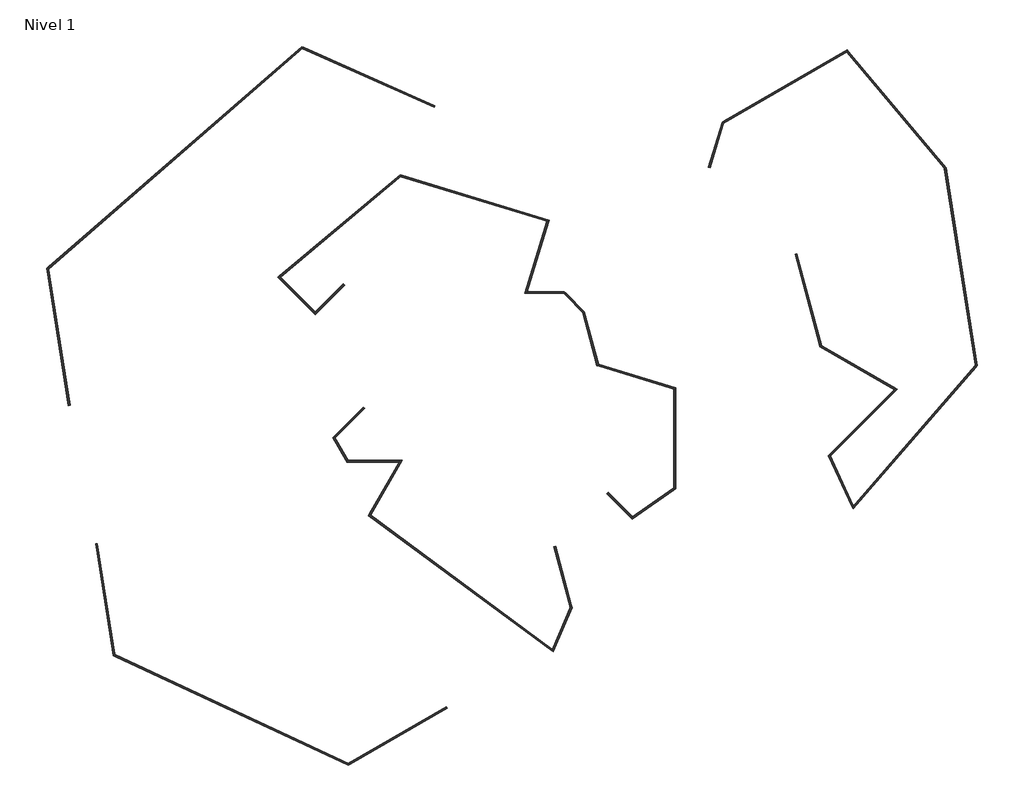
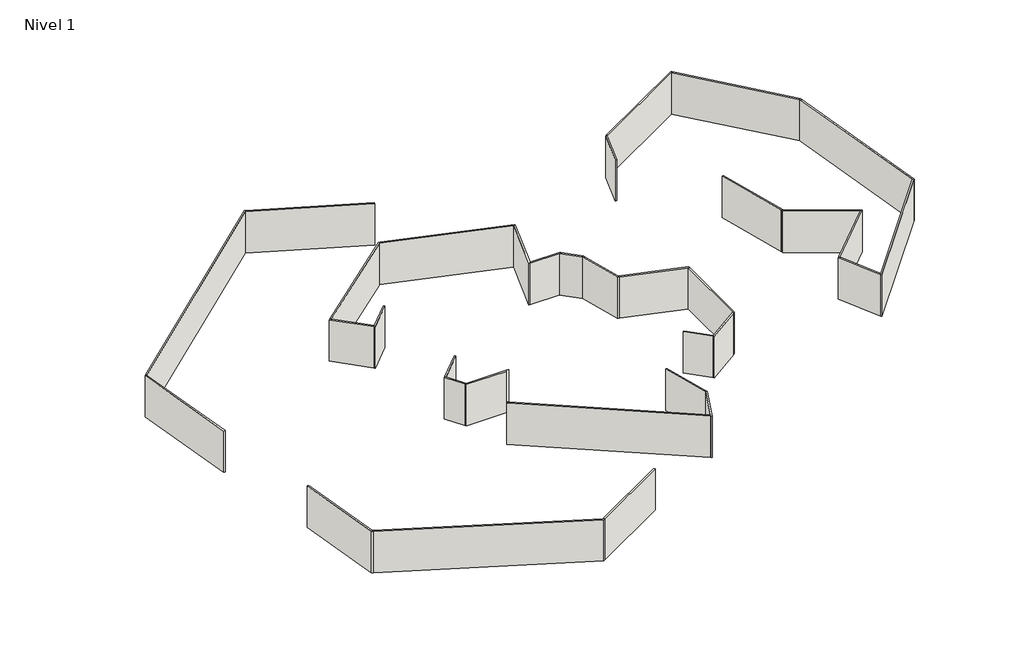
# One storey: 34 walls.
"""IFC4 building model written with IfcOpenShell, lengths in millimetres."""

from ifc_helpers import new_model, si_unit, origin, origin_with_axes, place, context, project, spatial, polyline, outline, extrude, faceted_brep, element, save

model = new_model("IFC4")

# Units and contexts
model_context = context("Model", 3, world=origin())
ifc_project = project(units=[si_unit("LENGTHUNIT", "METRE", prefix="MILLI")], contexts=[model_context])

# Site, building, storey
site = spatial("IfcSite", under=ifc_project)
building = spatial("IfcBuilding", under=site)
storey = spatial("IfcBuildingStorey", under=building, Name="Nivel 1", Elevation=0.0)

# Walls
placement = place(None, origin())
element("IfcWall", 1, at=placement, inside=storey, context=model_context, shape_type="Brep", body=[
    faceted_brep([(3578.8449551, -3014.9289192, 0.0), (3515.0951763, -3163.3818364, 0.0), (2564.1241916, -5377.8901777, 0.0), (2523.5965513, -5472.2661355, 0.0), (2523.5965513, -5472.2661355, 3000.0), (2564.1241916, -5377.8901777, 3000.0), (3515.0951763, -3163.3818364, 3000.0), (3578.8449551, -3014.9289192, 3000.0), (3620.6602962, -3170.9858965, 0.0), (3620.6602962, -3170.9858965, 3000.0), (2606.2345334, -5533.2601922, 3000.0), (2606.2345334, -5533.2601922, 0.0)], [[[0, 1, 2, 3, 4, 5, 6, 7]], [[8, 9, 10, 11]], [[3, 2, 1, 0, 8, 11]], [[7, 6, 5, 4, 10, 9]], [[4, 3, 11, 10]], [[0, 7, 9, 8]]]),
])
element("IfcWall", 2, at=placement, inside=storey, context=model_context, shape_type="Brep", body=[
    faceted_brep([(2564.1241916, -5377.8901777, 0.0), (-7131.207565, 1778.1124248, 0.0), (-7212.1746931, 1837.8732452, 0.0), (-7212.1746931, 1837.8732452, 3000.0), (-7131.207565, 1778.1124248, 3000.0), (2564.1241916, -5377.8901777, 3000.0), (2523.5965513, -5472.2661355, 0.0), (2523.5965513, -5472.2661355, 3000.0), (-7262.4912696, 1750.7223782, 3000.0), (-7262.4912696, 1750.7223782, 0.0)], [[[0, 1, 2, 3, 4, 5]], [[6, 7, 8, 9]], [[2, 1, 0, 6, 9]], [[5, 4, 3, 8, 7]], [[0, 5, 7, 6]], [[3, 2, 9, 8]]]),
])
element("IfcWall", 3, at=placement, inside=storey, context=model_context, shape_type="Brep", body=[
    faceted_brep([(-7131.207565, 1778.1124248, 0.0), (-5447.4109246, 4694.5337556, 0.0), (-5447.4109246, 4694.5337556, 3000.0), (-7131.207565, 1778.1124248, 3000.0), (-7212.1746931, 1837.8732452, 0.0), (-7212.1746931, 1837.8732452, 3000.0), (-5620.6160054, 4594.5337556, 3000.0), (-5562.8809784, 4694.5337556, 3000.0), (-5562.8809784, 4694.5337556, 0.0), (-5620.6160054, 4594.5337556, 0.0)], [[[0, 1, 2, 3]], [[4, 5, 6, 7, 8, 9]], [[1, 0, 4, 9, 8]], [[3, 2, 7, 6, 5]], [[0, 3, 5, 4]], [[2, 1, 8, 7]]]),
])
element("IfcWall", 4, at=placement, inside=storey, context=model_context, shape_type="Brep", body=[
    faceted_brep([(-5562.8809784, 4694.5337556, 0.0), (-8345.5604704, 4694.5337556, 0.0), (-8461.0305242, 4694.5337556, 0.0), (-8461.0305242, 4694.5337556, 3000.0), (-8345.5604704, 4694.5337556, 3000.0), (-5562.8809784, 4694.5337556, 3000.0), (-5620.6160054, 4594.5337556, 0.0), (-5620.6160054, 4594.5337556, 3000.0), (-8403.2954973, 4594.5337556, 3000.0), (-8403.2954973, 4594.5337556, 0.0)], [[[0, 1, 2, 3, 4, 5]], [[6, 7, 8, 9]], [[2, 1, 0, 6, 9]], [[5, 4, 3, 8, 7]], [[0, 5, 7, 6]], [[3, 2, 9, 8]]]),
])
element("IfcWall", 5, at=placement, inside=storey, context=model_context, shape_type="Brep", body=[
    faceted_brep([(-8345.5604704, 4694.5337556, 0.0), (-9038.4116869, 5894.5872648, 0.0), (-9090.175496, 5984.244812, 0.0), (-9090.175496, 5984.244812, 3000.0), (-9038.4116869, 5894.5872648, 3000.0), (-8345.5604704, 4694.5337556, 3000.0), (-8461.0305242, 4694.5337556, 0.0), (-8461.0305242, 4694.5337556, 3000.0), (-9163.3805767, 5911.0397312, 3000.0), (-9163.3805767, 5911.0397312, 0.0)], [[[0, 1, 2, 3, 4, 5]], [[6, 7, 8, 9]], [[2, 1, 0, 6, 9]], [[5, 4, 3, 8, 7]], [[0, 5, 7, 6]], [[3, 2, 9, 8]]]),
])
element("IfcWall", 6, at=placement, inside=storey, context=model_context, shape_type="SweptSolid", body=[
    extrude(outline(polyline([(-7458.1855701, 7474.8133816), (-9038.4116869, 5894.5872648), (-9090.175496, 5984.244812), (-7528.8962482, 7545.5240597), (-7458.1855701, 7474.8133816)])), origin_with_axes(), (0.0, 0.0, 1.0), 3000.0),
])
element("IfcWall", 7, at=placement, inside=storey, context=model_context, shape_type="Brep", body=[
    faceted_brep([(-8599.6218629, 14120.4808027, 0.0), (-10095.1527051, 12624.9499605, 0.0), (-10165.8633832, 12554.2392824, 0.0), (-10165.8633832, 12554.2392824, 3000.0), (-10095.1527051, 12624.9499605, 3000.0), (-8599.6218629, 14120.4808027, 3000.0), (-8528.9111848, 14049.7701246, 0.0), (-8528.9111848, 14049.7701246, 3000.0), (-10095.1527051, 12483.5286043, 3000.0), (-10095.1527051, 12483.5286043, 0.0)], [[[0, 1, 2, 3, 4, 5]], [[6, 7, 8, 9]], [[2, 1, 0, 6, 9]], [[5, 4, 3, 8, 7]], [[0, 5, 7, 6]], [[3, 2, 9, 8]]]),
])
element("IfcWall", 8, at=placement, inside=storey, context=model_context, shape_type="Brep", body=[
    faceted_brep([(-10095.1527051, 12624.9499605, 0.0), (-11949.3555265, 14479.1527819, 0.0), (-12020.3363079, 14550.1335633, 0.0), (-12020.3363079, 14550.1335633, 3000.0), (-11949.3555265, 14479.1527819, 3000.0), (-10095.1527051, 12624.9499605, 3000.0), (-10165.8633832, 12554.2392824, 0.0), (-10165.8633832, 12554.2392824, 3000.0), (-12097.2333688, 14485.609268, 3000.0), (-12097.2333688, 14485.609268, 0.0)], [[[0, 1, 2, 3, 4, 5]], [[6, 7, 8, 9]], [[2, 1, 0, 6, 9]], [[5, 4, 3, 8, 7]], [[0, 5, 7, 6]], [[3, 2, 9, 8]]]),
])
element("IfcWall", 9, at=placement, inside=storey, context=model_context, shape_type="Brep", body=[
    faceted_brep([(-11949.3555265, 14479.1527819, 0.0), (-5544.3908758, 19853.556258, 0.0), (-5453.0505483, 19930.1998931, 0.0), (-5453.0505483, 19930.1998931, 3000.0), (-5544.3908758, 19853.556258, 3000.0), (-11949.3555265, 14479.1527819, 3000.0), (-12020.3363079, 14550.1335633, 0.0), (-12020.3363079, 14550.1335633, 3000.0), (-5567.0768171, 19965.061222, 3000.0), (-5567.0768171, 19965.061222, 0.0)], [[[0, 1, 2, 3, 4, 5]], [[6, 7, 8, 9]], [[2, 1, 0, 6, 9]], [[5, 4, 3, 8, 7]], [[0, 5, 7, 6]], [[3, 2, 9, 8]]]),
])
element("IfcWall", 10, at=placement, inside=storey, context=model_context, shape_type="Brep", body=[
    faceted_brep([(-5544.3908758, 19853.556258, 0.0), (2267.5180494, 17465.2160188, 0.0), (2363.148525, 17435.9788484, 0.0), (2363.148525, 17435.9788484, 3000.0), (2267.5180494, 17465.2160188, 3000.0), (-5544.3908758, 19853.556258, 3000.0), (-5453.0505483, 19930.1998931, 0.0), (-5453.0505483, 19930.1998931, 3000.0), (2392.3856955, 17531.609324, 3000.0), (2392.3856955, 17531.609324, 0.0)], [[[0, 1, 2, 3, 4, 5]], [[6, 7, 8, 9]], [[2, 1, 0, 6, 9]], [[5, 4, 3, 8, 7]], [[0, 5, 7, 6]], [[3, 2, 9, 8]]]),
])
element("IfcWall", 11, at=placement, inside=storey, context=model_context, shape_type="Brep", body=[
    faceted_brep([(2267.5180494, 17465.2160188, 0.0), (1089.2978225, 13611.4313043, 0.0), (1089.2978225, 13611.4313043, 3000.0), (2267.5180494, 17465.2160188, 3000.0), (2363.148525, 17435.9788484, 0.0), (2363.148525, 17435.9788484, 3000.0), (1224.4400663, 13711.4313043, 3000.0), (1193.8669981, 13611.4313043, 3000.0), (1193.8669981, 13611.4313043, 0.0), (1224.4400663, 13711.4313043, 0.0)], [[[0, 1, 2, 3]], [[4, 5, 6, 7, 8, 9]], [[1, 0, 4, 9, 8]], [[3, 2, 7, 6, 5]], [[0, 3, 5, 4]], [[2, 1, 8, 7]]]),
])
element("IfcWall", 12, at=placement, inside=storey, context=model_context, shape_type="Brep", body=[
    faceted_brep([(1193.8669981, 13611.4313043, 0.0), (3168.9605769, 13611.4313043, 0.0), (3310.3819331, 13611.4313043, 0.0), (3310.3819331, 13611.4313043, 3000.0), (3168.9605769, 13611.4313043, 3000.0), (1193.8669981, 13611.4313043, 3000.0), (1224.4400663, 13711.4313043, 0.0), (1224.4400663, 13711.4313043, 3000.0), (3210.3819331, 13711.4313043, 3000.0), (3210.3819331, 13711.4313043, 0.0)], [[[0, 1, 2, 3, 4, 5]], [[6, 7, 8, 9]], [[2, 1, 0, 6, 9]], [[5, 4, 3, 8, 7]], [[0, 5, 7, 6]], [[3, 2, 9, 8]]]),
])
element("IfcWall", 13, at=placement, inside=storey, context=model_context, shape_type="Brep", body=[
    faceted_brep([(3168.9605769, 13611.4313043, 0.0), (4188.6199863, 12591.7718949, 0.0), (4330.0413426, 12450.3505387, 0.0), (4330.0413426, 12450.3505387, 3000.0), (4188.6199863, 12591.7718949, 3000.0), (3168.9605769, 13611.4313043, 3000.0), (3310.3819331, 13611.4313043, 0.0), (3310.3819331, 13611.4313043, 3000.0), (4278.2775335, 12643.5357039, 3000.0), (4278.2775335, 12643.5357039, 0.0)], [[[0, 1, 2, 3, 4, 5]], [[6, 7, 8, 9]], [[2, 1, 0, 6, 9]], [[5, 4, 3, 8, 7]], [[0, 5, 7, 6]], [[3, 2, 9, 8]]]),
])
element("IfcWall", 14, at=placement, inside=storey, context=model_context, shape_type="Brep", body=[
    faceted_brep([(4188.6199863, 12591.7718949, 0.0), (4950.411185, 9748.7284368, 0.0), (4950.411185, 9748.7284368, 3000.0), (4188.6199863, 12591.7718949, 3000.0), (4330.0413426, 12450.3505387, 0.0), (4330.0413426, 12450.3505387, 3000.0), (5032.6571937, 9828.1524841, 3000.0), (5063.1765765, 9714.2525968, 3000.0), (5063.1765765, 9714.2525968, 0.0), (5032.6571937, 9828.1524841, 0.0)], [[[0, 1, 2, 3]], [[4, 5, 6, 7, 8, 9]], [[1, 0, 4, 9, 8]], [[3, 2, 7, 6, 5]], [[0, 3, 5, 4]], [[2, 1, 8, 7]]]),
])
element("IfcWall", 15, at=placement, inside=storey, context=model_context, shape_type="Brep", body=[
    faceted_brep([(5063.1765765, 9714.2525968, 0.0), (9047.430743, 8496.1438553, 0.0), (9147.430743, 8465.5707872, 0.0), (9147.430743, 8465.5707872, 3000.0), (9047.430743, 8496.1438553, 3000.0), (5063.1765765, 9714.2525968, 3000.0), (5032.6571937, 9828.1524841, 0.0), (5032.6571937, 9828.1524841, 3000.0), (9147.430743, 8570.1399628, 3000.0), (9147.430743, 8570.1399628, 0.0)], [[[0, 1, 2, 3, 4, 5]], [[6, 7, 8, 9]], [[2, 1, 0, 6, 9]], [[5, 4, 3, 8, 7]], [[0, 5, 7, 6]], [[3, 2, 9, 8]]]),
])
element("IfcWall", 16, at=placement, inside=storey, context=model_context, shape_type="Brep", body=[
    faceted_brep([(9047.430743, 8496.1438553, 0.0), (9047.430743, 3229.9308898, 0.0), (9047.430743, 3107.8534309, 0.0), (9047.430743, 3107.8534309, 3000.0), (9047.430743, 3229.9308898, 3000.0), (9047.430743, 8496.1438553, 3000.0), (9147.430743, 8465.5707872, 0.0), (9147.430743, 8465.5707872, 3000.0), (9147.430743, 3177.8741847, 3000.0), (9147.430743, 3177.8741847, 0.0)], [[[0, 1, 2, 3, 4, 5]], [[6, 7, 8, 9]], [[2, 1, 0, 6, 9]], [[5, 4, 3, 8, 7]], [[0, 5, 7, 6]], [[3, 2, 9, 8]]]),
])
element("IfcWall", 17, at=placement, inside=storey, context=model_context, shape_type="Brep", body=[
    faceted_brep([(9047.430743, 3229.9308898, 0.0), (6848.4757871, 1690.2060534, 0.0), (6765.2969086, 1631.9635757, 0.0), (6765.2969086, 1631.9635757, 3000.0), (6848.4757871, 1690.2060534, 3000.0), (9047.430743, 3229.9308898, 3000.0), (9047.430743, 3107.8534309, 0.0), (9047.430743, 3107.8534309, 3000.0), (6837.0984129, 1560.1620714, 3000.0), (6837.0984129, 1560.1620714, 0.0)], [[[0, 1, 2, 3, 4, 5]], [[6, 7, 8, 9]], [[2, 1, 0, 6, 9]], [[5, 4, 3, 8, 7]], [[0, 5, 7, 6]], [[3, 2, 9, 8]]]),
])
element("IfcWall", 18, at=placement, inside=storey, context=model_context, shape_type="SweptSolid", body=[
    extrude(outline(polyline([(5555.4062111, 2983.2756293), (6848.4757871, 1690.2060534), (6765.2969086, 1631.9635757), (5484.695533, 2912.5649512), (5555.4062111, 2983.2756293)])), origin_with_axes(), (0.0, 0.0, 1.0), 3000.0),
])
element("IfcWall", 19, at=placement, inside=storey, context=model_context, shape_type="SweptSolid", body=[
    extrude(outline(polyline([(2741.6732135, 109.4385553), (3578.8449551, -3014.9289192), (3515.0951763, -3163.3818364), (2645.0806308, 83.5566508), (2741.6732135, 109.4385553)])), origin_with_axes(), (0.0, 0.0, 1.0), 3000.0),
])
element("IfcWall", 20, at=placement, inside=storey, context=model_context, shape_type="Brep", body=[
    faceted_brep([(10991.818887, 20336.00815, 0.0), (11712.9588452, 22694.7506707, 0.0), (11755.8286997, 22834.9716466, 0.0), (11755.8286997, 22834.9716466, 3000.0), (11712.9588452, 22694.7506707, 3000.0), (10991.818887, 20336.00815, 3000.0), (10896.1884114, 20365.2453205, 0.0), (10896.1884114, 20365.2453205, 3000.0), (11628.8451973, 22761.6576873, 3000.0), (11628.8451973, 22761.6576873, 0.0)], [[[0, 1, 2, 3, 4, 5]], [[6, 7, 8, 9]], [[2, 1, 0, 6, 9]], [[5, 4, 3, 8, 7]], [[0, 5, 7, 6]], [[3, 2, 9, 8]]]),
])
element("IfcWall", 21, at=placement, inside=storey, context=model_context, shape_type="Brep", body=[
    faceted_brep([(11712.9588452, 22694.7506707, 0.0), (18290.5899179, 26492.3477411, 0.0), (18378.5284421, 26543.1190717, 0.0), (18378.5284421, 26543.1190717, 3000.0), (18290.5899179, 26492.3477411, 3000.0), (11712.9588452, 22694.7506707, 3000.0), (11755.8286997, 22834.9716466, 0.0), (11755.8286997, 22834.9716466, 3000.0), (18313.2580776, 26620.9052631, 3000.0), (18313.2580776, 26620.9052631, 0.0)], [[[0, 1, 2, 3, 4, 5]], [[6, 7, 8, 9]], [[2, 1, 0, 6, 9]], [[5, 4, 3, 8, 7]], [[0, 5, 7, 6]], [[3, 2, 9, 8]]]),
])
element("IfcWall", 22, at=placement, inside=storey, context=model_context, shape_type="Brep", body=[
    faceted_brep([(18290.5899179, 26492.3477411, 0.0), (23500.450309, 20283.4779031, 0.0), (23625.2542102, 20134.7424056, 0.0), (23625.2542102, 20134.7424056, 3000.0), (23500.450309, 20283.4779031, 3000.0), (18290.5899179, 26492.3477411, 3000.0), (18378.5284421, 26543.1190717, 0.0), (18378.5284421, 26543.1190717, 3000.0), (23594.8808314, 20326.5123715, 3000.0), (23594.8808314, 20326.5123715, 0.0)], [[[0, 1, 2, 3, 4, 5]], [[6, 7, 8, 9]], [[2, 1, 0, 6, 9]], [[5, 4, 3, 8, 7]], [[0, 5, 7, 6]], [[3, 2, 9, 8]]]),
])
element("IfcWall", 23, at=placement, inside=storey, context=model_context, shape_type="Brep", body=[
    faceted_brep([(23500.450309, 20283.4779031, 0.0), (25164.41106, 9777.6431915, 0.0), (25184.8321291, 9648.7096355, 0.0), (25184.8321291, 9648.7096355, 3000.0), (25164.41106, 9777.6431915, 3000.0), (23500.450309, 20283.4779031, 3000.0), (23625.2542102, 20134.7424056, 0.0), (23625.2542102, 20134.7424056, 3000.0), (25270.4745529, 9747.2299743, 3000.0), (25270.4745529, 9747.2299743, 0.0)], [[[0, 1, 2, 3, 4, 5]], [[6, 7, 8, 9]], [[2, 1, 0, 6, 9]], [[5, 4, 3, 8, 7]], [[0, 5, 7, 6]], [[3, 2, 9, 8]]]),
])
element("IfcWall", 24, at=placement, inside=storey, context=model_context, shape_type="Brep", body=[
    faceted_brep([(25164.41106, 9777.6431915, 0.0), (18650.0891185, 2283.7730355, 0.0), (18578.2745171, 2201.1597869, 0.0), (18578.2745171, 2201.1597869, 3000.0), (18650.0891185, 2283.7730355, 3000.0), (25164.41106, 9777.6431915, 3000.0), (25184.8321291, 9648.7096355, 0.0), (25184.8321291, 9648.7096355, 3000.0), (18624.5358452, 2101.9520486, 3000.0), (18624.5358452, 2101.9520486, 0.0)], [[[0, 1, 2, 3, 4, 5]], [[6, 7, 8, 9]], [[2, 1, 0, 6, 9]], [[5, 4, 3, 8, 7]], [[0, 5, 7, 6]], [[3, 2, 9, 8]]]),
])
element("IfcWall", 25, at=placement, inside=storey, context=model_context, shape_type="Brep", body=[
    faceted_brep([(18650.0891185, 2283.7730355, 0.0), (17420.4416286, 4920.7605874, 0.0), (17375.4675325, 5017.2078476, 0.0), (17375.4675325, 5017.2078476, 3000.0), (17420.4416286, 4920.7605874, 3000.0), (18650.0891185, 2283.7730355, 3000.0), (18578.2745171, 2201.1597869, 0.0), (18578.2745171, 2201.1597869, 3000.0), (17300.2188006, 4941.9591157, 3000.0), (17300.2188006, 4941.9591157, 0.0)], [[[0, 1, 2, 3, 4, 5]], [[6, 7, 8, 9]], [[2, 1, 0, 6, 9]], [[5, 4, 3, 8, 7]], [[0, 5, 7, 6]], [[3, 2, 9, 8]]]),
])
element("IfcWall", 26, at=placement, inside=storey, context=model_context, shape_type="Brep", body=[
    faceted_brep([(17420.4416286, 4920.7605874, 0.0), (20993.1196412, 8493.4386, 0.0), (20993.1196412, 8493.4386, 3000.0), (17420.4416286, 4920.7605874, 3000.0), (17375.4675325, 5017.2078476, 0.0), (17375.4675325, 5017.2078476, 3000.0), (20830.2570133, 8471.9973283, 3000.0), (20903.462094, 8545.2024091, 3000.0), (20903.462094, 8545.2024091, 0.0), (20830.2570133, 8471.9973283, 0.0)], [[[0, 1, 2, 3]], [[4, 5, 6, 7, 8, 9]], [[1, 0, 4, 9, 8]], [[3, 2, 7, 6, 5]], [[0, 3, 5, 4]], [[2, 1, 8, 7]]]),
])
element("IfcWall", 27, at=placement, inside=storey, context=model_context, shape_type="Brep", body=[
    faceted_brep([(20903.462094, 8545.2024091, 0.0), (16943.9607048, 10831.221602, 0.0), (16821.4862177, 10901.9322801, 0.0), (16821.4862177, 10901.9322801, 3000.0), (16943.9607048, 10831.221602, 3000.0), (20903.462094, 8545.2024091, 3000.0), (20830.2570133, 8471.9973283, 0.0), (20830.2570133, 8471.9973283, 3000.0), (16858.088758, 10765.3297397, 3000.0), (16858.088758, 10765.3297397, 0.0)], [[[0, 1, 2, 3, 4, 5]], [[6, 7, 8, 9]], [[2, 1, 0, 6, 9]], [[5, 4, 3, 8, 7]], [[0, 5, 7, 6]], [[3, 2, 9, 8]]]),
])
element("IfcWall", 28, at=placement, inside=storey, context=model_context, shape_type="SweptSolid", body=[
    extrude(outline(polyline([(15632.5449635, 15725.4917783), (16943.9607048, 10831.221602), (16821.4862177, 10901.9322801), (15535.9523809, 15699.6098738), (15632.5449635, 15725.4917783)])), origin_with_axes(), (0.0, 0.0, 1.0), 3000.0),
])
element("IfcWall", 29, at=placement, inside=storey, context=model_context, shape_type="Brep", body=[
    faceted_brep([(-21829.8031523, 232.8980405, 0.0), (-20884.1262592, -5737.8708756, 0.0), (-20884.1262592, -5737.8708756, 3000.0), (-21829.8031523, 232.8980405, 3000.0), (-21731.0343183, 248.541487, 0.0), (-21731.0343183, 248.541487, 3000.0), (-20793.6751932, -5669.7111085, 3000.0), (-20774.8057873, -5788.8478489, 3000.0), (-20774.8057873, -5788.8478489, 0.0), (-20793.6751932, -5669.7111085, 0.0)], [[[0, 1, 2, 3]], [[4, 5, 6, 7, 8, 9]], [[1, 0, 4, 9, 8]], [[3, 2, 7, 6, 5]], [[0, 3, 5, 4]], [[2, 1, 8, 7]]]),
])
element("IfcWall", 30, at=placement, inside=storey, context=model_context, shape_type="Brep", body=[
    faceted_brep([(-20774.8057873, -5788.8478489, 0.0), (-8332.6650576, -11590.713355, 0.0), (-8332.6650576, -11590.713355, 3000.0), (-20774.8057873, -5788.8478489, 3000.0), (-20793.6751932, -5669.7111085, 0.0), (-20793.6751932, -5669.7111085, 3000.0), (-8337.5826286, -11478.0824621, 3000.0), (-8226.942877, -11529.6746256, 3000.0), (-8226.942877, -11529.6746256, 0.0), (-8337.5826286, -11478.0824621, 0.0)], [[[0, 1, 2, 3]], [[4, 5, 6, 7, 8, 9]], [[1, 0, 4, 9, 8]], [[3, 2, 7, 6, 5]], [[0, 3, 5, 4]], [[2, 1, 8, 7]]]),
])
element("IfcWall", 31, at=placement, inside=storey, context=model_context, shape_type="SweptSolid", body=[
    extrude(outline(polyline([(-3051.4584462, -8541.6072963), (-8226.942877, -11529.6746256), (-8337.5826286, -11478.0824621), (-3101.4584462, -8455.0047559), (-3051.4584462, -8541.6072963)])), origin_with_axes(), (0.0, 0.0, 1.0), 3000.0),
])
element("IfcWall", 32, at=placement, inside=storey, context=model_context, shape_type="Brep", body=[
    faceted_brep([(-23187.0511102, 7633.0602452, 0.0), (-24340.3301567, 14914.5775716, 0.0), (-24358.7757981, 15031.038768, 0.0), (-24358.7757981, 15031.038768, 3000.0), (-24340.3301567, 14914.5775716, 3000.0), (-23187.0511102, 7633.0602452, 3000.0), (-23285.8199443, 7617.4167987, 0.0), (-23285.8199443, 7617.4167987, 3000.0), (-24447.7709804, 14953.686913, 3000.0), (-24447.7709804, 14953.686913, 0.0)], [[[0, 1, 2, 3, 4, 5]], [[6, 7, 8, 9]], [[2, 1, 0, 6, 9]], [[5, 4, 3, 8, 7]], [[0, 5, 7, 6]], [[3, 2, 9, 8]]]),
])
element("IfcWall", 33, at=placement, inside=storey, context=model_context, shape_type="Brep", body=[
    faceted_brep([(-24340.3301567, 14914.5775716, 0.0), (-10801.8486155, 26681.8062473, 0.0), (-10718.510451, 26754.2411977, 0.0), (-10718.510451, 26754.2411977, 3000.0), (-10801.8486155, 26681.8062473, 3000.0), (-24340.3301567, 14914.5775716, 3000.0), (-24358.7757981, 15031.038768, 0.0), (-24358.7757981, 15031.038768, 3000.0), (-10819.448527, 26799.0025259, 3000.0), (-10819.448527, 26799.0025259, 0.0)], [[[0, 1, 2, 3, 4, 5]], [[6, 7, 8, 9]], [[2, 1, 0, 6, 9]], [[5, 4, 3, 8, 7]], [[0, 5, 7, 6]], [[3, 2, 9, 8]]]),
])
element("IfcWall", 34, at=placement, inside=storey, context=model_context, shape_type="SweptSolid", body=[
    extrude(outline(polyline([(-3753.3945746, 23556.1456748), (-10801.8486155, 26681.8062473), (-10718.510451, 26754.2411977), (-3712.8563979, 23647.5604233), (-3753.3945746, 23556.1456748)])), origin_with_axes(), (0.0, 0.0, 1.0), 3000.0),
])

save(model, "model.ifc")
